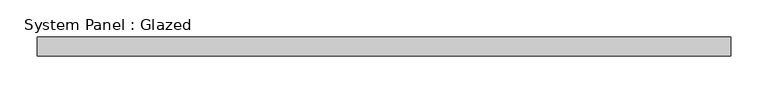
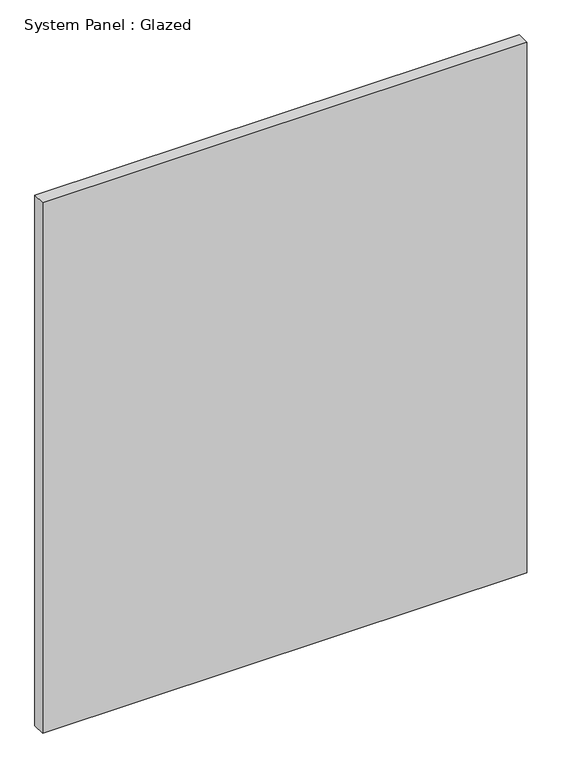
"""IFC4 building model written with IfcOpenShell, lengths in millimetres: plate geometry, System Panel : Glazed."""

from ifc_helpers import new_model, si_unit, origin, origin_with_axes, place, context, project, spatial, polyline, outline, extrude, source, transform, mapped, element, save


def system_panel_glazed_fbd7ef7b(model_context):
    return source(origin(), model_context, "Body", "SweptSolid", [
        extrude(outline(polyline([(466.725, -12.7), (-466.725, -12.7), (-466.725, 12.7), (466.725, 12.7), (466.725, -12.7)])), origin_with_axes(), (0.0, 0.0, 1.0), 1080.0),
    ])


if __name__ == "__main__":
    model = new_model("IFC4")
    model_context = context("Model", 3, world=origin())
    ifc_project = project(units=[si_unit("LENGTHUNIT", "METRE", prefix="MILLI")], contexts=[model_context])
    site = spatial("IfcSite", under=ifc_project)
    building = spatial("IfcBuilding", under=site)
    placement = place(None, origin())
    system_panel_glazed_shape = system_panel_glazed_fbd7ef7b(model_context)
    element("IfcPlate", 1, ObjectType="System Panel : Glazed", at=placement, inside=building, context=model_context, shape_type="MappedRepresentation", body=[
        mapped(system_panel_glazed_shape, transform((0.0, 0.0, 0.0), x_axis=(1.0, 0.0, 0.0), y_axis=(0.0, 1.0, 0.0), z_axis=(0.0, 0.0, 1.0))),
    ])
    save(model, "model.ifc")
